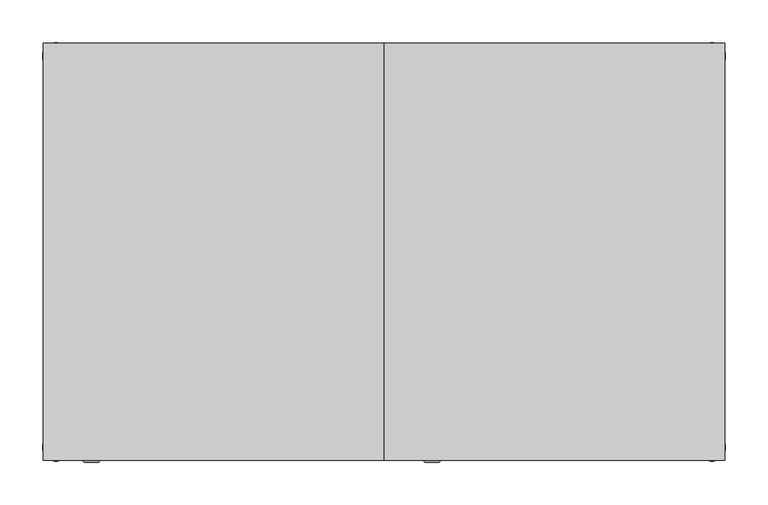
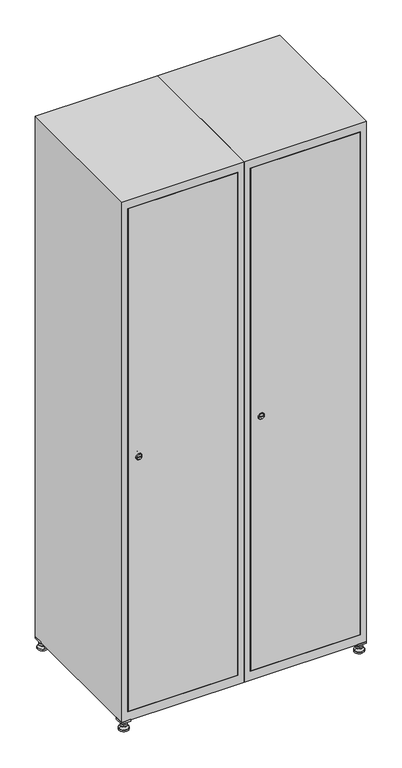
"""IFC4 building model written with IfcOpenShell, lengths in millimetres: furniture geometry."""

from ifc_helpers import new_model, si_unit, point, frame, frame_2d, origin, origin_with_axes, place, context, project, spatial, polyline, circle_curve, trimmed, segment, composite_curve, outline, extrude, faceted_brep, source, transform, mapped, element, save
from ifc_brep_helpers import plane_surface, revolved_surface, advanced_brep


def furniture_443084e9(model_context):
    return source(origin(), model_context, "Body", "SolidModel", [
        extrude(outline(polyline([(600.0, 245.0), (600.0, 215.0), (570.0, 215.0), (570.0, 245.0), (600.0, 245.0)]), holes=[polyline([(598.0, 243.0), (572.0, 243.0), (572.0, 217.0), (598.0, 217.0), (598.0, 243.0)])]), frame((0.0, 0.0, 28.5), z_axis=(0.0, 0.0, 1.0), x_axis=(1.0, 0.0, 0.0)), (0.0, 0.0, 1.0), 6.5),
        extrude(outline(polyline([(570.0, -245.0), (570.0, -215.0), (600.0, -215.0), (600.0, -245.0), (570.0, -245.0)]), holes=[polyline([(572.0, -243.0), (598.0, -243.0), (598.0, -217.0), (572.0, -217.0), (572.0, -243.0)])]), frame((0.0, 0.0, 28.5), z_axis=(0.0, 0.0, 1.0), x_axis=(1.0, 0.0, 0.0)), (0.0, 0.0, 1.0), 6.5),
        extrude(outline(polyline([(-170.0, 245.0), (-170.0, 215.0), (-200.0, 215.0), (-200.0, 245.0), (-170.0, 245.0)]), holes=[polyline([(-172.0, 243.0), (-198.0, 243.0), (-198.0, 217.0), (-172.0, 217.0), (-172.0, 243.0)])]), frame((0.0, 0.0, 28.5), z_axis=(0.0, 0.0, 1.0), x_axis=(1.0, 0.0, 0.0)), (0.0, 0.0, 1.0), 6.5),
        extrude(outline(polyline([(-170.0, -215.0), (-170.0, -245.0), (-200.0, -245.0), (-200.0, -215.0), (-170.0, -215.0)]), holes=[polyline([(-198.0, -243.0), (-172.0, -243.0), (-172.0, -217.0), (-198.0, -217.0), (-198.0, -243.0)])]), frame((0.0, 0.0, 28.5), z_axis=(0.0, 0.0, 1.0), x_axis=(1.0, 0.0, 0.0)), (0.0, 0.0, 1.0), 6.5),
        extrude(outline(composite_curve([segment(trimmed(circle_curve(frame_2d((-185.0, 230.0)), 5.0), [point((-180.0, 230.0))], [point((-190.0, 230.0))], False, "CARTESIAN"), True, "CONTINUOUS"), segment(trimmed(circle_curve(frame_2d((-185.0, 230.0)), 5.0), [point((-190.0, 230.0))], [point((-180.0, 230.0))], False, "CARTESIAN"), True, "CONTINUOUS")], self_intersect=False)), frame((0.0, 0.0, 19.6), z_axis=(0.0, 0.0, 1.0), x_axis=(1.0, 0.0, 0.0)), (0.0, 0.0, 1.0), 15.4),
        extrude(outline(composite_curve([segment(trimmed(circle_curve(frame_2d((-185.0, -230.0)), 5.0), [point((-180.0, -230.0))], [point((-190.0, -230.0))], False, "CARTESIAN"), True, "CONTINUOUS"), segment(trimmed(circle_curve(frame_2d((-185.0, -230.0)), 5.0), [point((-190.0, -230.0))], [point((-180.0, -230.0))], False, "CARTESIAN"), True, "CONTINUOUS")], self_intersect=False)), frame((0.0, 0.0, 19.6), z_axis=(0.0, 0.0, 1.0), x_axis=(1.0, 0.0, 0.0)), (0.0, 0.0, 1.0), 15.4),
        extrude(outline(composite_curve([segment(trimmed(circle_curve(frame_2d((585.0, 230.0)), 5.0), [point((590.0, 230.0))], [point((580.0, 230.0))], False, "CARTESIAN"), True, "CONTINUOUS"), segment(trimmed(circle_curve(frame_2d((585.0, 230.0)), 5.0), [point((580.0, 230.0))], [point((590.0, 230.0))], False, "CARTESIAN"), True, "CONTINUOUS")], self_intersect=False)), frame((0.0, 0.0, 19.6), z_axis=(0.0, 0.0, 1.0), x_axis=(1.0, 0.0, 0.0)), (0.0, 0.0, 1.0), 15.4),
        extrude(outline(polyline([(573.4529946, 230.0), (579.2264973, 240.0), (590.7735027, 240.0), (596.5470054, 230.0), (590.7735027, 220.0), (579.2264973, 220.0), (573.4529946, 230.0)])), frame((0.0, 0.0, 13.6), z_axis=(0.0, 0.0, 1.0), x_axis=(1.0, 0.0, 0.0)), (0.0, 0.0, 1.0), 6.0),
        extrude(outline(composite_curve([segment(trimmed(circle_curve(frame_2d((585.0, -230.0)), 5.0), [point((590.0, -230.0))], [point((580.0, -230.0))], False, "CARTESIAN"), True, "CONTINUOUS"), segment(trimmed(circle_curve(frame_2d((585.0, -230.0)), 5.0), [point((580.0, -230.0))], [point((590.0, -230.0))], False, "CARTESIAN"), True, "CONTINUOUS")], self_intersect=False)), frame((0.0, 0.0, 19.6), z_axis=(0.0, 0.0, 1.0), x_axis=(1.0, 0.0, 0.0)), (0.0, 0.0, 1.0), 15.4),
        extrude(outline(polyline([(573.4529946, -230.0), (579.2264973, -220.0), (590.7735027, -220.0), (596.5470054, -230.0), (590.7735027, -240.0), (579.2264973, -240.0), (573.4529946, -230.0)])), frame((0.0, 0.0, 13.6), z_axis=(0.0, 0.0, 1.0), x_axis=(1.0, 0.0, 0.0)), (0.0, 0.0, 1.0), 6.0),
        extrude(outline(composite_curve([segment(trimmed(circle_curve(frame_2d((585.0, 230.0)), 5.0), [point((590.0, 230.0))], [point((580.0, 230.0))], False, "CARTESIAN"), True, "CONTINUOUS"), segment(trimmed(circle_curve(frame_2d((585.0, 230.0)), 5.0), [point((580.0, 230.0))], [point((590.0, 230.0))], False, "CARTESIAN"), True, "CONTINUOUS")], self_intersect=False)), frame((0.0, 0.0, 12.1), z_axis=(0.0, 0.0, 1.0), x_axis=(1.0, 0.0, 0.0)), (0.0, 0.0, 1.0), 1.5),
        extrude(outline(composite_curve([segment(trimmed(circle_curve(frame_2d((585.0, -230.0)), 5.0), [point((590.0, -230.0))], [point((580.0, -230.0))], False, "CARTESIAN"), True, "CONTINUOUS"), segment(trimmed(circle_curve(frame_2d((585.0, -230.0)), 5.0), [point((580.0, -230.0))], [point((590.0, -230.0))], False, "CARTESIAN"), True, "CONTINUOUS")], self_intersect=False)), frame((0.0, 0.0, 12.1), z_axis=(0.0, 0.0, 1.0), x_axis=(1.0, 0.0, 0.0)), (0.0, 0.0, 1.0), 1.5),
        extrude(outline(polyline([(-196.5470054, 230.0), (-190.7735027, 240.0), (-179.2264973, 240.0), (-173.4529946, 230.0), (-179.2264973, 220.0), (-190.7735027, 220.0), (-196.5470054, 230.0)])), frame((0.0, 0.0, 13.6), z_axis=(0.0, 0.0, 1.0), x_axis=(1.0, 0.0, 0.0)), (0.0, 0.0, 1.0), 6.0),
        extrude(outline(polyline([(-196.5470054, -230.0), (-190.7735027, -220.0), (-179.2264973, -220.0), (-173.4529946, -230.0), (-179.2264973, -240.0), (-190.7735027, -240.0), (-196.5470054, -230.0)])), frame((0.0, 0.0, 13.6), z_axis=(0.0, 0.0, 1.0), x_axis=(1.0, 0.0, 0.0)), (0.0, 0.0, 1.0), 6.0),
        extrude(outline(composite_curve([segment(trimmed(circle_curve(frame_2d((-185.0, 230.0)), 5.0), [point((-185.0, 235.0))], [point((-185.0, 225.0))], False, "CARTESIAN"), True, "CONTINUOUS"), segment(trimmed(circle_curve(frame_2d((-185.0, 230.0)), 5.0), [point((-185.0, 225.0))], [point((-185.0, 235.0))], False, "CARTESIAN"), True, "CONTINUOUS")], self_intersect=False)), frame((0.0, 0.0, 12.1), z_axis=(0.0, 0.0, 1.0), x_axis=(1.0, 0.0, 0.0)), (0.0, 0.0, 1.0), 1.5),
        extrude(outline(composite_curve([segment(trimmed(circle_curve(frame_2d((-185.0, -230.0)), 5.0), [point((-180.0, -230.0))], [point((-190.0, -230.0))], False, "CARTESIAN"), True, "CONTINUOUS"), segment(trimmed(circle_curve(frame_2d((-185.0, -230.0)), 5.0), [point((-190.0, -230.0))], [point((-180.0, -230.0))], False, "CARTESIAN"), True, "CONTINUOUS")], self_intersect=False)), frame((0.0, 0.0, 12.1), z_axis=(0.0, 0.0, 1.0), x_axis=(1.0, 0.0, 0.0)), (0.0, 0.0, 1.0), 1.5),
        extrude(outline(composite_curve([segment(trimmed(circle_curve(frame_2d((585.0, 230.0)), 15.75), [point((600.75, 230.0))], [point((569.25, 230.0))], False, "CARTESIAN"), True, "CONTINUOUS"), segment(trimmed(circle_curve(frame_2d((585.0, 230.0)), 15.75), [point((569.25, 230.0))], [point((600.75, 230.0))], False, "CARTESIAN"), True, "CONTINUOUS")], self_intersect=False)), origin_with_axes(), (0.0, 0.0, 1.0), 5.1),
        extrude(outline(composite_curve([segment(trimmed(circle_curve(frame_2d((585.0, -230.0)), 15.75), [point((585.0, -214.25))], [point((585.0, -245.75))], False, "CARTESIAN"), True, "CONTINUOUS"), segment(trimmed(circle_curve(frame_2d((585.0, -230.0)), 15.75), [point((585.0, -245.75))], [point((585.0, -214.25))], False, "CARTESIAN"), True, "CONTINUOUS")], self_intersect=False)), origin_with_axes(), (0.0, 0.0, 1.0), 5.1),
        extrude(outline(composite_curve([segment(trimmed(circle_curve(frame_2d((-185.0, -230.0)), 15.75), [point((-169.25, -230.0))], [point((-200.75, -230.0))], False, "CARTESIAN"), True, "CONTINUOUS"), segment(trimmed(circle_curve(frame_2d((-185.0, -230.0)), 15.75), [point((-200.75, -230.0))], [point((-169.25, -230.0))], False, "CARTESIAN"), True, "CONTINUOUS")], self_intersect=False)), origin_with_axes(), (0.0, 0.0, 1.0), 5.1),
        extrude(outline(composite_curve([segment(trimmed(circle_curve(frame_2d((-185.0, 230.0)), 15.75), [point((-169.25, 230.0))], [point((-200.75, 230.0))], False, "CARTESIAN"), True, "CONTINUOUS"), segment(trimmed(circle_curve(frame_2d((-185.0, 230.0)), 15.75), [point((-200.75, 230.0))], [point((-169.25, 230.0))], False, "CARTESIAN"), True, "CONTINUOUS")], self_intersect=False)), origin_with_axes(), (0.0, 0.0, 1.0), 5.1),
        advanced_brep(
        [(-185.0, 245.75, 5.1), (-185.0, 214.25, 5.1), (-185.0, 239.5, 12.1), (-185.0, 220.5, 12.1)],
        [
            (0, 1, circle_curve(frame((-185.0, 230.0, 5.1), z_axis=(0.0, 0.0, -1.0), x_axis=(0.0, 1.0, 0.0)), 15.75)),
            (1, 0, circle_curve(frame((-185.0, 230.0, 5.1), z_axis=(0.0, 0.0, -1.0), x_axis=(0.0, -1.0, 0.0)), 15.75)),
            (2, 3, circle_curve(frame((-185.0, 230.0, 12.1), z_axis=(0.0, 0.0, 1.0), x_axis=(0.0, -1.0, 0.0)), 9.5)),
            (3, 2, circle_curve(frame((-185.0, 230.0, 12.1), z_axis=(0.0, 0.0, 1.0), x_axis=(0.0, 1.0, 0.0)), 9.5)),
            (3, 1),
            (0, 2),
        ],
        [
            plane_surface(frame((-185.0, 230.0, 5.1), z_axis=(0.0, 0.0, -1.0), x_axis=(1.0, 0.0, 0.0))),
            plane_surface(frame((-185.0, 230.0, 12.1), z_axis=(0.0, 0.0, 1.0), x_axis=(1.0, 0.0, 0.0))),
            revolved_surface(polyline([(-185.0, 220.5, 12.099999999999998), (-185.0, 214.25, 5.099999999999998)]), (-185.0, 230.0, 22.74), (0.0, 0.0, -1.0)),
            revolved_surface(polyline([(-185.0, 239.5, 12.099999999999998), (-185.0, 245.75, 5.099999999999998)]), (-185.0, 230.0, 22.74), (0.0, 0.0, -1.0)),
        ],
        [
            (0, [[1, 2]]),
            (1, [[3, 4]]),
            (2, [[-4, 5, -1, 6]]),
            (3, [[-3, -6, -2, -5]]),
        ],
    ),
        advanced_brep(
        [(585.0, 245.75, 5.1), (585.0, 214.25, 5.1), (585.0, 239.5, 12.1), (585.0, 220.5, 12.1)],
        [
            (0, 1, circle_curve(frame((585.0, 230.0, 5.1), z_axis=(0.0, 0.0, -1.0), x_axis=(0.0, 1.0, 0.0)), 15.75)),
            (1, 0, circle_curve(frame((585.0, 230.0, 5.1), z_axis=(0.0, 0.0, -1.0), x_axis=(0.0, -1.0, 0.0)), 15.75)),
            (2, 3, circle_curve(frame((585.0, 230.0, 12.1), z_axis=(0.0, 0.0, 1.0), x_axis=(0.0, -1.0, 0.0)), 9.5)),
            (3, 2, circle_curve(frame((585.0, 230.0, 12.1), z_axis=(0.0, 0.0, 1.0), x_axis=(0.0, 1.0, 0.0)), 9.5)),
            (3, 1),
            (0, 2),
        ],
        [
            plane_surface(frame((585.0, 230.0, 5.1), z_axis=(0.0, 0.0, -1.0), x_axis=(1.0, 0.0, 0.0))),
            plane_surface(frame((585.0, 230.0, 12.1), z_axis=(0.0, 0.0, 1.0), x_axis=(1.0, 0.0, 0.0))),
            revolved_surface(polyline([(585.0, 220.5, 12.099999999999998), (585.0, 214.25, 5.099999999999998)]), (585.0, 230.0, 22.74), (0.0, 0.0, -1.0)),
            revolved_surface(polyline([(585.0, 239.5, 12.099999999999998), (585.0, 245.75, 5.099999999999998)]), (585.0, 230.0, 22.74), (0.0, 0.0, -1.0)),
        ],
        [
            (0, [[1, 2]]),
            (1, [[3, 4]]),
            (2, [[-4, 5, -1, 6]]),
            (3, [[-3, -6, -2, -5]]),
        ],
    ),
        advanced_brep(
        [(594.5, -230.0, 12.1), (575.5, -230.0, 12.1), (600.75, -230.0, 5.1), (569.25, -230.0, 5.1)],
        [
            (0, 1, circle_curve(frame((585.0, -230.0, 12.1), z_axis=(0.0, 0.0, 1.0), x_axis=(1.0, 0.0, 0.0)), 9.5)),
            (1, 0, circle_curve(frame((585.0, -230.0, 12.1), z_axis=(0.0, 0.0, 1.0), x_axis=(-1.0, 0.0, 0.0)), 9.5)),
            (2, 3, circle_curve(frame((585.0, -230.0, 5.1), z_axis=(0.0, 0.0, -1.0), x_axis=(-1.0, 0.0, 0.0)), 15.75)),
            (3, 2, circle_curve(frame((585.0, -230.0, 5.1), z_axis=(0.0, 0.0, -1.0), x_axis=(1.0, 0.0, 0.0)), 15.75)),
            (3, 1),
            (0, 2),
        ],
        [
            plane_surface(frame((585.0, -230.0, 12.1), z_axis=(0.0, 0.0, 1.0), x_axis=(0.0, 1.0, 0.0))),
            plane_surface(frame((585.0, -230.0, 5.1), z_axis=(0.0, 0.0, -1.0), x_axis=(0.0, 1.0, 0.0))),
            revolved_surface(polyline([(594.5, -230.0, 12.099999999999998), (600.75, -230.0, 5.099999999999998)]), (585.0, -230.0, 22.74), (0.0, 0.0, -1.0)),
            revolved_surface(polyline([(575.5, -230.0, 12.099999999999998), (569.25, -230.0, 5.099999999999998)]), (585.0, -230.0, 22.74), (0.0, 0.0, -1.0)),
        ],
        [
            (0, [[1, 2]]),
            (1, [[3, 4]]),
            (2, [[-4, 5, -1, 6]]),
            (3, [[-3, -6, -2, -5]]),
        ],
    ),
        advanced_brep(
        [(-175.5, -230.0, 12.1), (-194.5, -230.0, 12.1), (-169.25, -230.0, 5.1), (-200.75, -230.0, 5.1)],
        [
            (0, 1, circle_curve(frame((-185.0, -230.0, 12.1), z_axis=(0.0, 0.0, 1.0), x_axis=(1.0, 0.0, 0.0)), 9.5)),
            (1, 0, circle_curve(frame((-185.0, -230.0, 12.1), z_axis=(0.0, 0.0, 1.0), x_axis=(-1.0, 0.0, 0.0)), 9.5)),
            (2, 3, circle_curve(frame((-185.0, -230.0, 5.1), z_axis=(0.0, 0.0, -1.0), x_axis=(-1.0, 0.0, 0.0)), 15.75)),
            (3, 2, circle_curve(frame((-185.0, -230.0, 5.1), z_axis=(0.0, 0.0, -1.0), x_axis=(1.0, 0.0, 0.0)), 15.75)),
            (3, 1),
            (0, 2),
        ],
        [
            plane_surface(frame((-185.0, -230.0, 12.1), z_axis=(0.0, 0.0, 1.0), x_axis=(0.0, 1.0, 0.0))),
            plane_surface(frame((-185.0, -230.0, 5.1), z_axis=(0.0, 0.0, -1.0), x_axis=(0.0, 1.0, 0.0))),
            revolved_surface(polyline([(-175.5, -230.0, 12.099999999999998), (-169.25, -230.0, 5.099999999999998)]), (-185.0, -230.0, 22.74), (0.0, 0.0, -1.0)),
            revolved_surface(polyline([(-194.5, -230.0, 12.099999999999998), (-200.75, -230.0, 5.099999999999998)]), (-185.0, -230.0, 22.74), (0.0, 0.0, -1.0)),
        ],
        [
            (0, [[1, 2]]),
            (1, [[3, 4]]),
            (2, [[-4, 5, -1, 6]]),
            (3, [[-3, -6, -2, -5]]),
        ],
    ),
        extrude(outline(composite_curve([segment(trimmed(circle_curve(frame_2d((935.0, 229.6010534)), 7.0), [point((942.0, 229.6010534))], [point((928.0, 229.6010534))], False, "CARTESIAN"), True, "CONTINUOUS"), segment(polyline([(928.0, 229.6010534), (928.0, 257.6010534)]), True, "CONTINUOUS"), segment(trimmed(circle_curve(frame_2d((935.0, 257.6010534)), 7.0), [point((928.0, 257.6010534))], [point((942.0, 257.6010534))], False, "CARTESIAN"), True, "CONTINUOUS"), segment(polyline([(942.0, 257.6010534), (942.0, 229.6010534)]), True, "CONTINUOUS")], self_intersect=False)), frame((0.0, -227.0, 0.0), z_axis=(0.0, 1.0, 0.0), x_axis=(0.0, 0.0, 1.0)), (0.0, 0.0, 1.0), 2.0),
        advanced_brep(
        [(264.9, -247.2, 935.0), (247.9, -247.2, 935.0), (251.4, -247.2, 933.75), (251.4, -247.2, 936.25), (261.4, -247.2, 936.25), (261.4, -247.2, 933.75), (266.9, -245.0, 935.0), (245.9, -245.0, 935.0), (251.4, -245.0, 936.25), (251.4, -245.0, 933.75), (261.4, -245.0, 933.75), (261.4, -245.0, 936.25)],
        [
            (0, 1, circle_curve(frame((256.4, -247.2, 935.0), z_axis=(0.0, -1.0, 0.0), x_axis=(1.0, 0.0, 0.0)), 8.5)),
            (1, 0, circle_curve(frame((256.4, -247.2, 935.0), z_axis=(0.0, -1.0, 0.0), x_axis=(-1.0, 0.0, 0.0)), 8.5)),
            (2, 3),
            (3, 4),
            (4, 5),
            (5, 2),
            (6, 7, circle_curve(frame((256.4, -245.0, 935.0), z_axis=(0.0, 1.0, 0.0), x_axis=(-1.0, 0.0, 0.0)), 10.5)),
            (7, 6, circle_curve(frame((256.4, -245.0, 935.0), z_axis=(0.0, 1.0, 0.0), x_axis=(1.0, 0.0, 0.0)), 10.5)),
            (8, 9),
            (9, 10),
            (10, 11),
            (11, 8),
            (0, 6),
            (7, 1),
            (8, 3),
            (2, 9),
            (11, 4),
            (10, 5),
        ],
        [
            plane_surface(frame((256.4, -247.2, 935.0), z_axis=(0.0, -1.0, 0.0), x_axis=(0.0, 0.0, 1.0))),
            plane_surface(frame((256.4, -245.0, 935.0), z_axis=(0.0, 1.0, 0.0), x_axis=(0.0, 0.0, 1.0))),
            revolved_surface(polyline([(264.9, -247.2, 935.0), (266.9, -245.0, 935.0)]), (256.4, -256.55, 935.0), (0.0, 1.0, 0.0)),
            revolved_surface(polyline([(247.89999999999998, -247.2, 935.0), (245.9, -245.0, 935.0)]), (256.4, -256.55, 935.0), (0.0, 1.0, 0.0)),
            plane_surface(frame((251.4, -245.0, 933.75), z_axis=(1.0, 0.0, 0.0), x_axis=(0.0, -1.0, 0.0))),
            plane_surface(frame((251.4, -245.0, 936.25), z_axis=(0.0, 0.0, -1.0), x_axis=(0.0, -1.0, 0.0))),
            plane_surface(frame((261.4, -245.0, 936.25), z_axis=(-1.0, 0.0, 0.0), x_axis=(0.0, -1.0, 0.0))),
            plane_surface(frame((261.4, -245.0, 933.75), z_axis=(0.0, 0.0, 1.0), x_axis=(0.0, -1.0, 0.0))),
        ],
        [
            (0, [[1, 2], [3, 4, 5, 6]]),
            (1, [[7, 8], [9, 10, 11, 12]]),
            (2, [[-1, 13, -8, 14]]),
            (3, [[-2, -14, -7, -13]]),
            (4, [[15, -3, 16, -9]]),
            (5, [[-15, -12, 17, -4]]),
            (6, [[-17, -11, 18, -5]]),
            (7, [[-16, -6, -18, -10]]),
        ],
    ),
        extrude(outline(polyline([(578.6, -227.0), (578.6, -245.0), (221.4, -245.0), (221.4, -227.0), (578.6, -227.0)])), frame((0.0, 0.0, 66.2), z_axis=(0.0, 0.0, 1.0), x_axis=(1.0, 0.0, 0.0)), (0.0, 0.0, 1.0), 1737.6),
        faceted_brep([(600.0, -245.0, 35.0), (600.0, -245.0, 1835.0), (200.0, -245.0, 1835.0), (200.0, -245.0, 35.0), (579.6, -245.0, 1804.8), (579.6, -245.0, 65.2), (220.4, -245.0, 65.2), (220.4, -245.0, 1804.8), (600.0, 245.0, 35.0), (200.0, 245.0, 35.0), (600.0, 245.0, 1835.0), (200.0, 245.0, 1835.0), (579.6, 242.0, 1804.8), (579.6, 242.0, 65.2), (200.0, 245.0, 1804.8), (220.4, 242.0, 1804.8), (220.4, 242.0, 65.2)], [[[0, 1, 2, 3], [4, 5, 6, 7]], [[8, 0, 3, 9]], [[1, 0, 8, 10]], [[1, 10, 11, 2]], [[4, 12, 13, 5]], [[9, 3, 2, 11, 14]], [[10, 8, 9, 14, 11]], [[12, 15, 16, 13]], [[15, 7, 6, 16]], [[4, 7, 15, 12]], [[6, 5, 13, 16]]]),
        extrude(outline(composite_curve([segment(trimmed(circle_curve(frame_2d((935.0, -170.3989466)), 7.0), [point((942.0, -170.3989466))], [point((928.0, -170.3989466))], False, "CARTESIAN"), True, "CONTINUOUS"), segment(polyline([(928.0, -170.3989466), (928.0, -142.3989466)]), True, "CONTINUOUS"), segment(trimmed(circle_curve(frame_2d((935.0, -142.3989466)), 7.0), [point((928.0, -142.3989466))], [point((942.0, -142.3989466))], False, "CARTESIAN"), True, "CONTINUOUS"), segment(polyline([(942.0, -142.3989466), (942.0, -170.3989466)]), True, "CONTINUOUS")], self_intersect=False)), frame((0.0, -227.0, 0.0), z_axis=(0.0, 1.0, 0.0), x_axis=(0.0, 0.0, 1.0)), (0.0, 0.0, 1.0), 2.0),
        advanced_brep(
        [(-135.1, -247.2, 935.0), (-152.1, -247.2, 935.0), (-148.6, -247.2, 933.75), (-148.6, -247.2, 936.25), (-138.6, -247.2, 936.25), (-138.6, -247.2, 933.75), (-133.1, -245.0, 935.0), (-154.1, -245.0, 935.0), (-148.6, -245.0, 936.25), (-148.6, -245.0, 933.75), (-138.6, -245.0, 933.75), (-138.6, -245.0, 936.25)],
        [
            (0, 1, circle_curve(frame((-143.6, -247.2, 935.0), z_axis=(0.0, -1.0, 0.0), x_axis=(1.0, 0.0, 0.0)), 8.5)),
            (1, 0, circle_curve(frame((-143.6, -247.2, 935.0), z_axis=(0.0, -1.0, 0.0), x_axis=(-1.0, 0.0, 0.0)), 8.5)),
            (2, 3),
            (3, 4),
            (4, 5),
            (5, 2),
            (6, 7, circle_curve(frame((-143.6, -245.0, 935.0), z_axis=(0.0, 1.0, 0.0), x_axis=(-1.0, 0.0, 0.0)), 10.5)),
            (7, 6, circle_curve(frame((-143.6, -245.0, 935.0), z_axis=(0.0, 1.0, 0.0), x_axis=(1.0, 0.0, 0.0)), 10.5)),
            (8, 9),
            (9, 10),
            (10, 11),
            (11, 8),
            (0, 6),
            (7, 1),
            (8, 3),
            (2, 9),
            (11, 4),
            (10, 5),
        ],
        [
            plane_surface(frame((-143.6, -247.2, 935.0), z_axis=(0.0, -1.0, 0.0), x_axis=(0.0, 0.0, 1.0))),
            plane_surface(frame((-143.6, -245.0, 935.0), z_axis=(0.0, 1.0, 0.0), x_axis=(0.0, 0.0, 1.0))),
            revolved_surface(polyline([(-135.1, -247.2, 935.0), (-133.1, -245.0, 935.0)]), (-143.6, -256.55, 935.0), (0.0, 1.0, 0.0)),
            revolved_surface(polyline([(-152.1, -247.2, 935.0), (-154.1, -245.0, 935.0)]), (-143.6, -256.55, 935.0), (0.0, 1.0, 0.0)),
            plane_surface(frame((-148.6, -245.0, 933.75), z_axis=(1.0, 0.0, 0.0), x_axis=(0.0, -1.0, 0.0))),
            plane_surface(frame((-148.6, -245.0, 936.25), z_axis=(0.0, 0.0, -1.0), x_axis=(0.0, -1.0, 0.0))),
            plane_surface(frame((-138.6, -245.0, 936.25), z_axis=(-1.0, 0.0, 0.0), x_axis=(0.0, -1.0, 0.0))),
            plane_surface(frame((-138.6, -245.0, 933.75), z_axis=(0.0, 0.0, 1.0), x_axis=(0.0, -1.0, 0.0))),
        ],
        [
            (0, [[1, 2], [3, 4, 5, 6]]),
            (1, [[7, 8], [9, 10, 11, 12]]),
            (2, [[-1, 13, -8, 14]]),
            (3, [[-2, -14, -7, -13]]),
            (4, [[15, -3, 16, -9]]),
            (5, [[-15, -12, 17, -4]]),
            (6, [[-17, -11, 18, -5]]),
            (7, [[-16, -6, -18, -10]]),
        ],
    ),
        extrude(outline(polyline([(178.6, -227.0), (178.6, -245.0), (-178.6, -245.0), (-178.6, -227.0), (178.6, -227.0)])), frame((0.0, 0.0, 66.2), z_axis=(0.0, 0.0, 1.0), x_axis=(1.0, 0.0, 0.0)), (0.0, 0.0, 1.0), 1737.6),
        faceted_brep([(200.0, -245.0, 35.0), (200.0, -245.0, 1835.0), (-200.0, -245.0, 1835.0), (-200.0, -245.0, 35.0), (179.6, -245.0, 1804.8), (179.6, -245.0, 65.2), (-179.6, -245.0, 65.2), (-179.6, -245.0, 1804.8), (200.0, 245.0, 35.0), (-200.0, 245.0, 35.0), (200.0, 245.0, 1835.0), (-200.0, 245.0, 1835.0), (179.6, 242.0, 1804.8), (179.6, 242.0, 65.2), (-200.0, 245.0, 1804.8), (-179.6, 242.0, 1804.8), (-179.6, 242.0, 65.2)], [[[0, 1, 2, 3], [4, 5, 6, 7]], [[8, 0, 3, 9]], [[1, 0, 8, 10]], [[1, 10, 11, 2]], [[4, 12, 13, 5]], [[9, 3, 2, 11, 14]], [[10, 8, 9, 14, 11]], [[12, 15, 16, 13]], [[15, 7, 6, 16]], [[4, 7, 15, 12]], [[6, 5, 13, 16]]]),
    ])


if __name__ == "__main__":
    model = new_model("IFC4")
    model_context = context("Model", 3, world=origin())
    ifc_project = project(units=[si_unit("LENGTHUNIT", "METRE", prefix="MILLI")], contexts=[model_context])
    site = spatial("IfcSite", under=ifc_project)
    building = spatial("IfcBuilding", under=site)
    placement = place(None, origin())
    furniture_shape = furniture_443084e9(model_context)
    element("IfcFurniture", 1, at=placement, inside=building, context=model_context, shape_type="MappedRepresentation", body=[
        mapped(furniture_shape, transform((0.0, 0.0, 0.0), x_axis=(1.0, 0.0, 0.0), y_axis=(0.0, 1.0, 0.0), z_axis=(0.0, 0.0, 1.0))),
    ])
    save(model, "model.ifc")
